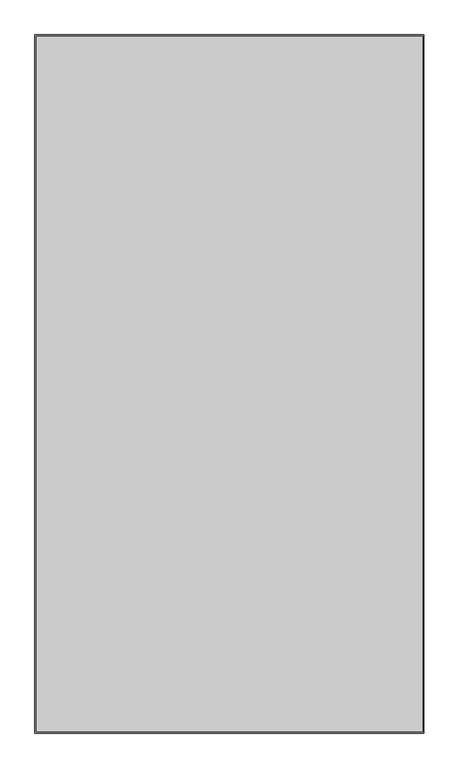
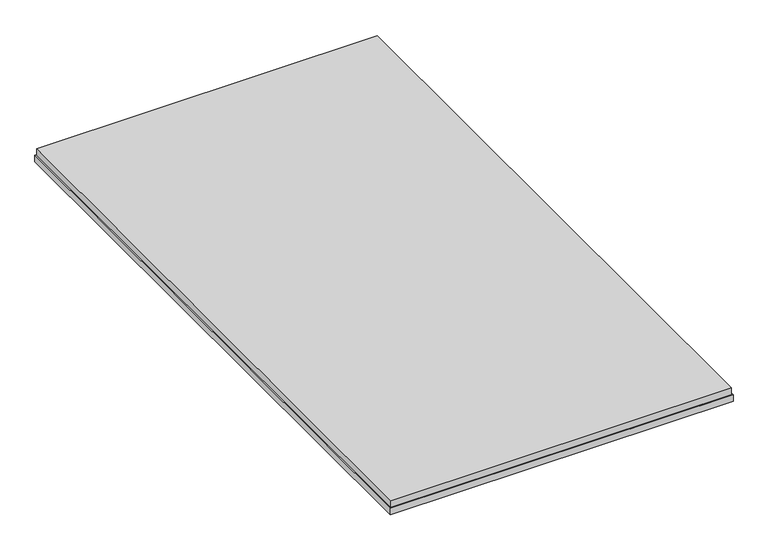
"""IFC4 building model written with IfcOpenShell, lengths in millimetres: proxy geometry."""

from ifc_helpers import new_model, si_unit, frame, origin, place, context, project, spatial, polyline, outline, extrude, source, transform, mapped, element, save


def generic_models_48c483e8(model_context):
    return source(origin(), model_context, "Body", "SweptSolid", [
        extrude(outline(polyline([(1345.5, -69.0), (1345.5, -2367.4), (69.0, -2367.4), (69.0, -69.0), (1345.5, -69.0)])), frame((0.0, 0.0, -43.0), z_axis=(0.0, 0.0, 1.0), x_axis=(1.0, 0.0, 0.0)), (0.0, 0.0, 1.0), 27.0),
        extrude(outline(polyline([(65.0, -65.0), (1349.5, -65.0), (1349.5, -2371.4), (65.0, -2371.4), (65.0, -65.0)]), holes=[polyline([(1331.5, -83.0), (83.0, -83.0), (83.0, -2353.4), (1331.5, -2353.4), (1331.5, -83.0)])]), frame((0.0, 0.0, -68.0), z_axis=(0.0, 0.0, 1.0), x_axis=(1.0, 0.0, 0.0)), (0.0, 0.0, 1.0), 25.0),
    ])


if __name__ == "__main__":
    model = new_model("IFC4")
    model_context = context("Model", 3, world=origin())
    ifc_project = project(units=[si_unit("LENGTHUNIT", "METRE", prefix="MILLI")], contexts=[model_context])
    site = spatial("IfcSite", under=ifc_project)
    building = spatial("IfcBuilding", under=site)
    placement = place(None, origin())
    generic_models_shape = generic_models_48c483e8(model_context)
    element("IfcBuildingElementProxy", 1, Name="Generic Models", at=placement, inside=building, context=model_context, shape_type="MappedRepresentation", body=[
        mapped(generic_models_shape, transform((0.0, 0.0, 0.0), x_axis=(1.0, 0.0, 0.0), y_axis=(0.0, 1.0, 0.0), z_axis=(0.0, 0.0, 1.0))),
    ])
    save(model, "model.ifc")
